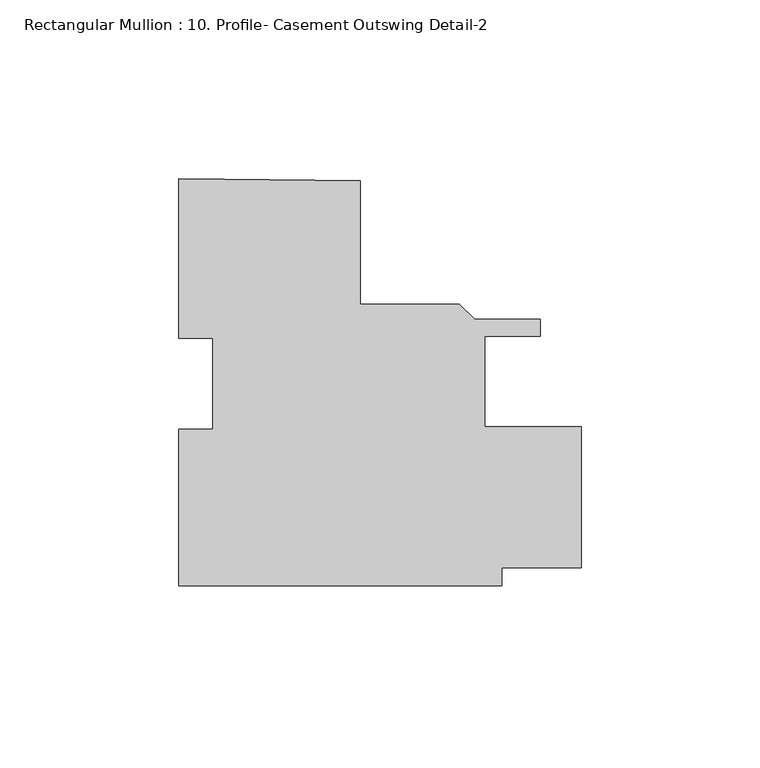
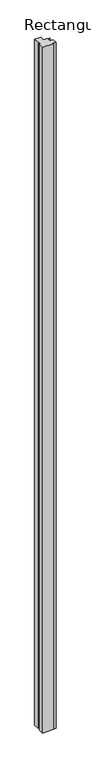
"""IFC4 building model written with IfcOpenShell, lengths in millimetres: member geometry, Rectangular Mullion : 10. Profile- Casement Outswing Detail-2."""

from ifc_helpers import new_model, si_unit, frame, origin, place, context, project, spatial, polyline, outline, extrude, source, transform, mapped, element, save


def rectangular_mullion_10_profile_casement_outswing_detail_2_8829b42c(model_context):
    return source(origin(), model_context, "Body", "SweptSolid", [
        extrude(outline(polyline([(-28.9052, -57.1344773), (-28.9052, -13.3491434), (-19.380742, -13.3491434), (-19.380742, 12.138555), (-28.8997923, 12.138555), (-28.8997923, 56.8504045), (21.9133135, 56.181224), (21.9133135, 21.681702), (49.6956995, 21.681702), (53.9628995, 17.414502), (72.3454073, 17.414502), (72.3454073, 12.7155019), (56.8383135, 12.7155019), (56.8383135, -12.684498), (83.8317576, -12.684498), (83.8317576, -52.054498), (61.6067577, -52.054498), (61.6067577, -57.1344773), (-28.9052, -57.1344773)])), frame((0.0, 0.0, -6032.5), z_axis=(0.0, 0.0, 1.0), x_axis=(1.0, 0.0, 0.0)), (0.0, 0.0, 1.0), 6032.5),
    ])


if __name__ == "__main__":
    model = new_model("IFC4")
    model_context = context("Model", 3, world=origin())
    ifc_project = project(units=[si_unit("LENGTHUNIT", "METRE", prefix="MILLI")], contexts=[model_context])
    site = spatial("IfcSite", under=ifc_project)
    building = spatial("IfcBuilding", under=site)
    placement = place(None, origin())
    rectangular_mullion_10_profile_casement_outswing_detail_2_shape = rectangular_mullion_10_profile_casement_outswing_detail_2_8829b42c(model_context)
    element("IfcMember", 1, ObjectType="Rectangular Mullion : 10. Profile- Casement Outswing Detail-2", at=placement, inside=building, context=model_context, shape_type="MappedRepresentation", body=[
        mapped(rectangular_mullion_10_profile_casement_outswing_detail_2_shape, transform((0.0, 0.0, 0.0), x_axis=(1.0, 0.0, 0.0), y_axis=(0.0, 1.0, 0.0), z_axis=(0.0, 0.0, 1.0))),
    ])
    save(model, "model.ifc")
